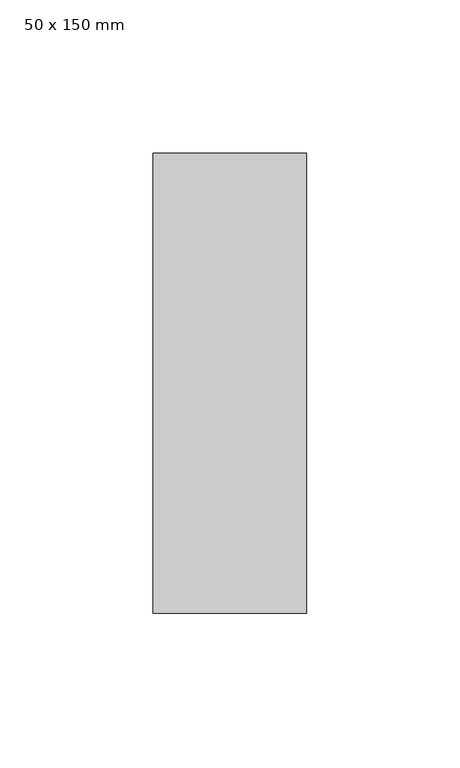
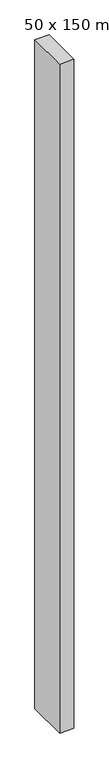
"""IFC4 building model written with IfcOpenShell, lengths in millimetres: member geometry, 50 x 150 mm."""

from ifc_helpers import new_model, si_unit, frame, origin, place, context, project, spatial, polyline, outline, extrude, source, transform, mapped, element, save


def member_50_x_150_mm_daebd5d8(model_context):
    return source(origin(), model_context, "Body", "SweptSolid", [
        extrude(outline(polyline([(25.0, 75.0), (25.0, -75.0), (-25.0, -75.0), (-25.0, 75.0), (25.0, 75.0)])), frame((0.0, 0.0, -2478.1629157), z_axis=(0.0, 0.0, 1.0), x_axis=(1.0, 0.0, 0.0)), (0.0, 0.0, 1.0), 2478.1629157),
    ])


if __name__ == "__main__":
    model = new_model("IFC4")
    model_context = context("Model", 3, world=origin())
    ifc_project = project(units=[si_unit("LENGTHUNIT", "METRE", prefix="MILLI")], contexts=[model_context])
    site = spatial("IfcSite", under=ifc_project)
    building = spatial("IfcBuilding", under=site)
    placement = place(None, origin())
    member_50_x_150_mm_shape = member_50_x_150_mm_daebd5d8(model_context)
    element("IfcMember", 1, ObjectType="50 x 150 mm", at=placement, inside=building, context=model_context, shape_type="MappedRepresentation", body=[
        mapped(member_50_x_150_mm_shape, transform((0.0, 0.0, 0.0), x_axis=(1.0, 0.0, 0.0), y_axis=(0.0, 1.0, 0.0), z_axis=(0.0, 0.0, 1.0))),
    ])
    save(model, "model.ifc")
